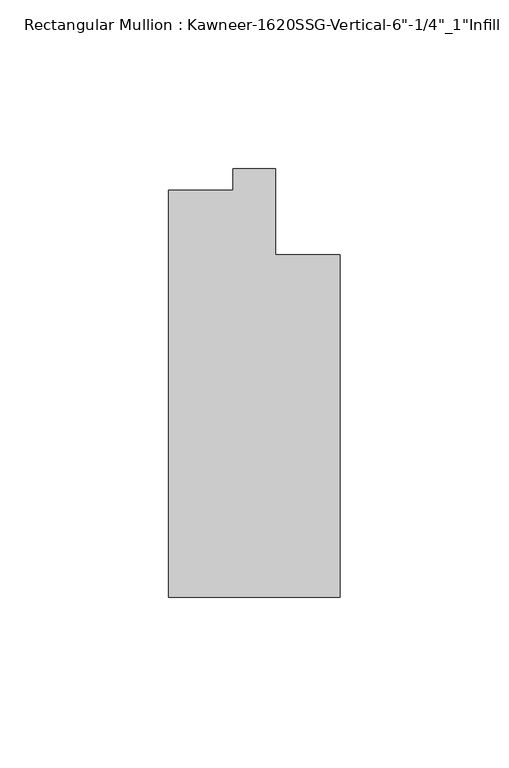
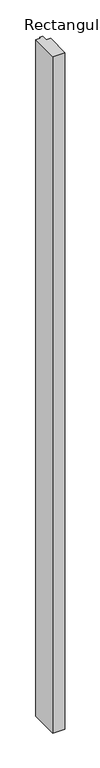
"""IFC4 building model written with IfcOpenShell, lengths in millimetres: member geometry."""

from ifc_helpers import new_model, si_unit, frame, origin, place, context, project, spatial, polyline, outline, extrude, source, transform, mapped, element, save


def member_f29d5813(model_context):
    return source(origin(), model_context, "Body", "SweptSolid", [
        extrude(outline(polyline([(25.4, -123.825), (-25.4, -123.825), (-25.4, -3.175), (-6.35, -3.175), (-6.35, 3.175), (6.35, 3.175), (6.35, -22.225), (25.4, -22.225), (25.4, -123.825)])), frame((0.0, 0.0, -2959.1), z_axis=(0.0, 0.0, 1.0), x_axis=(1.0, 0.0, 0.0)), (0.0, 0.0, 1.0), 2959.1),
    ])


if __name__ == "__main__":
    model = new_model("IFC4")
    model_context = context("Model", 3, world=origin())
    ifc_project = project(units=[si_unit("LENGTHUNIT", "METRE", prefix="MILLI")], contexts=[model_context])
    site = spatial("IfcSite", under=ifc_project)
    building = spatial("IfcBuilding", under=site)
    placement = place(None, origin())
    member_shape = member_f29d5813(model_context)
    element("IfcMember", 1, ObjectType="Rectangular Mullion : Kawneer-1620SSG-Vertical-6\"-1/4\"_1\"Infill", at=placement, inside=building, context=model_context, shape_type="MappedRepresentation", body=[
        mapped(member_shape, transform((0.0, 0.0, 0.0), x_axis=(1.0, 0.0, 0.0), y_axis=(0.0, 1.0, 0.0), z_axis=(0.0, 0.0, 1.0))),
    ])
    save(model, "model.ifc")
